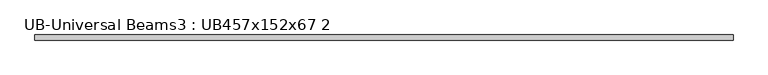
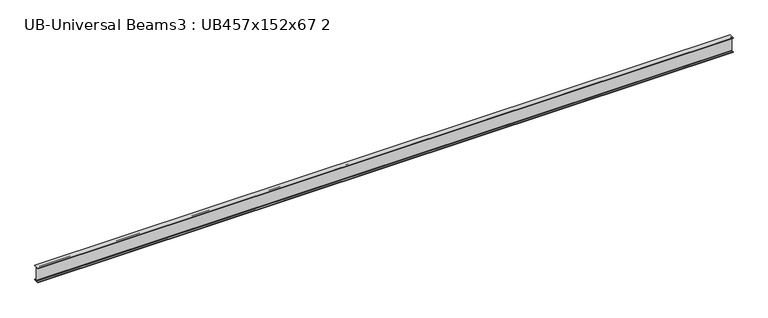
"""IFC4 building model written with IfcOpenShell, lengths in millimetres: beam geometry, UB-Universal Beams3 : UB457x152x67 2."""

from ifc_helpers import new_model, si_unit, point, frame, frame_2d, origin, place, context, project, spatial, polyline, circle_curve, trimmed, segment, composite_curve, outline, extrude, source, transform, mapped, element, save


def ub_universal_beams3_ub457x152x67_2_0d6a072a(model_context):
    return source(origin(), model_context, "Body", "SweptSolid", [
        extrude(outline(composite_curve([segment(polyline([(75.95, -213.6), (75.95, -228.6), (-75.95, -228.6), (-75.95, -213.6), (-14.75, -213.6)]), True, "CONTINUOUS"), segment(trimmed(circle_curve(frame_2d((-14.75, -203.4)), 10.2), [point((-14.75, -213.6))], [point((-4.55, -203.4))], True, "CARTESIAN"), True, "CONTINUOUS"), segment(polyline([(-4.55, -203.4), (-4.55, 203.4)]), True, "CONTINUOUS"), segment(trimmed(circle_curve(frame_2d((-14.75, 203.4)), 10.2), [point((-4.55, 203.4))], [point((-14.75, 213.6))], True, "CARTESIAN"), True, "CONTINUOUS"), segment(polyline([(-14.75, 213.6), (-75.95, 213.6), (-75.95, 228.6), (75.95, 228.6), (75.95, 213.6), (14.75, 213.6)]), True, "CONTINUOUS"), segment(trimmed(circle_curve(frame_2d((14.75, 203.4)), 10.2), [point((14.75, 213.6))], [point((4.55, 203.4))], True, "CARTESIAN"), True, "CONTINUOUS"), segment(polyline([(4.55, 203.4), (4.55, -203.4)]), True, "CONTINUOUS"), segment(trimmed(circle_curve(frame_2d((14.75, -203.4)), 10.2), [point((4.55, -203.4))], [point((14.75, -213.6))], True, "CARTESIAN"), True, "CONTINUOUS"), segment(polyline([(14.75, -213.6), (75.95, -213.6)]), True, "CONTINUOUS")], self_intersect=False)), frame((-10303.15, 0.0, 0.0), z_axis=(1.0, 0.0, 0.0), x_axis=(0.0, 1.0, 0.0)), (0.0, 0.0, 1.0), 20606.3),
    ])


if __name__ == "__main__":
    model = new_model("IFC4")
    model_context = context("Model", 3, world=origin())
    ifc_project = project(units=[si_unit("LENGTHUNIT", "METRE", prefix="MILLI")], contexts=[model_context])
    site = spatial("IfcSite", under=ifc_project)
    building = spatial("IfcBuilding", under=site)
    placement = place(None, origin())
    ub_universal_beams3_ub457x152x67_2_shape = ub_universal_beams3_ub457x152x67_2_0d6a072a(model_context)
    element("IfcBeam", 1, ObjectType="UB-Universal Beams3 : UB457x152x67 2", at=placement, inside=building, context=model_context, shape_type="MappedRepresentation", body=[
        mapped(ub_universal_beams3_ub457x152x67_2_shape, transform((0.0, 0.0, 0.0), x_axis=(1.0, 0.0, 0.0), y_axis=(0.0, 1.0, 0.0), z_axis=(0.0, 0.0, 1.0))),
    ])
    save(model, "model.ifc")
